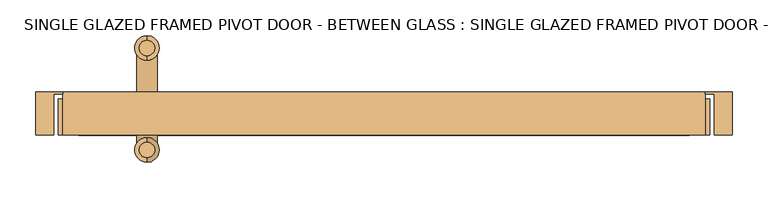
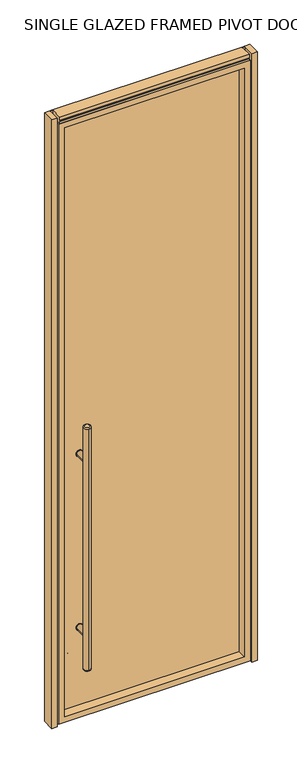
"""IFC4 building model written with IfcOpenShell, lengths in millimetres: door geometry, SINGLE GLAZED FRAMED PIVOT DOOR - BETWEEN GLASS : SINGLE GLAZED FRAMED PIVOT DOOR - BETWEEN GLASS."""

from ifc_helpers import new_model, si_unit, point, frame, frame_2d, origin, origin_with_axes, place, context, project, spatial, polyline, circle_curve, ellipse_curve, trimmed, segment, composite_curve, outline, extrude, faceted_brep, source, transform, mapped, element, save
from ifc_brep_helpers import plane_surface, cylinder_surface, revolved_surface, advanced_brep


def single_glazed_framed_pivot_door_between_glass_single_glazed_d1b92d99(model_context):
    return source(origin(), model_context, "Body", "SolidModel", [
        extrude(outline(composite_curve([segment(trimmed(circle_curve(frame_2d((428.625, -331.7875)), 15.875), [point((428.625, -347.6625))], [point((428.625, -315.9125))], False, "CARTESIAN"), True, "CONTINUOUS"), segment(trimmed(circle_curve(frame_2d((428.625, -331.7875)), 15.875), [point((428.625, -315.9125))], [point((428.625, -347.6625))], False, "CARTESIAN"), True, "CONTINUOUS")], self_intersect=False)), frame((0.0, 6.35, 0.0), z_axis=(0.0, 1.0, 0.0), x_axis=(0.0, 0.0, 1.0)), (0.0, 0.0, 1.0), 3.175),
        extrude(outline(composite_curve([segment(trimmed(circle_curve(frame_2d((1298.575, -331.7875)), 15.875), [point((1298.575, -315.9125))], [point((1298.575, -347.6625))], False, "CARTESIAN"), True, "CONTINUOUS"), segment(trimmed(circle_curve(frame_2d((1298.575, -331.7875)), 15.875), [point((1298.575, -347.6625))], [point((1298.575, -315.9125))], False, "CARTESIAN"), True, "CONTINUOUS")], self_intersect=False)), frame((0.0, 6.35, 0.0), z_axis=(0.0, 1.0, 0.0), x_axis=(0.0, 0.0, 1.0)), (0.0, 0.0, 1.0), 3.175),
        extrude(outline(composite_curve([segment(trimmed(circle_curve(frame_2d((428.625, -331.7875)), 15.875), [point((428.625, -347.6625))], [point((428.625, -315.9125))], False, "CARTESIAN"), True, "CONTINUOUS"), segment(trimmed(circle_curve(frame_2d((428.625, -331.7875)), 15.875), [point((428.625, -315.9125))], [point((428.625, -347.6625))], False, "CARTESIAN"), True, "CONTINUOUS")], self_intersect=False)), frame((0.0, -9.525, 0.0), z_axis=(0.0, 1.0, 0.0), x_axis=(0.0, 0.0, 1.0)), (0.0, 0.0, 1.0), 3.175),
        extrude(outline(composite_curve([segment(trimmed(circle_curve(frame_2d((1298.575, -331.7875)), 15.875), [point((1298.575, -347.6625))], [point((1298.575, -315.9125))], False, "CARTESIAN"), True, "CONTINUOUS"), segment(trimmed(circle_curve(frame_2d((1298.575, -331.7875)), 15.875), [point((1298.575, -315.9125))], [point((1298.575, -347.6625))], False, "CARTESIAN"), True, "CONTINUOUS")], self_intersect=False)), frame((0.0, -9.525, 0.0), z_axis=(0.0, 1.0, 0.0), x_axis=(0.0, 0.0, 1.0)), (0.0, 0.0, 1.0), 3.175),
        extrude(outline(composite_curve([segment(trimmed(circle_curve(frame_2d((428.625, -331.7875)), 14.2875), [point((428.625, -317.5))], [point((428.625, -346.075))], False, "CARTESIAN"), True, "CONTINUOUS"), segment(trimmed(circle_curve(frame_2d((428.625, -331.7875)), 14.2875), [point((428.625, -346.075))], [point((428.625, -317.5))], False, "CARTESIAN"), True, "CONTINUOUS")], self_intersect=False)), frame((0.0, -71.4375, 0.0), z_axis=(0.0, 1.0, 0.0), x_axis=(0.0, 0.0, 1.0)), (0.0, 0.0, 1.0), 65.0875),
        extrude(outline(composite_curve([segment(trimmed(circle_curve(frame_2d((1298.575, -331.7875)), 14.2875), [point((1298.575, -317.5))], [point((1298.575, -346.075))], False, "CARTESIAN"), True, "CONTINUOUS"), segment(trimmed(circle_curve(frame_2d((1298.575, -331.7875)), 14.2875), [point((1298.575, -346.075))], [point((1298.575, -317.5))], False, "CARTESIAN"), True, "CONTINUOUS")], self_intersect=False)), frame((0.0, -71.4375, 0.0), z_axis=(0.0, 1.0, 0.0), x_axis=(0.0, 0.0, 1.0)), (0.0, 0.0, 1.0), 65.0875),
        advanced_brep(
        [(-331.7875, 60.6425, 1473.2), (-331.7875, 82.2325, 1473.2), (-331.7875, 82.2325, 254.0), (-331.7875, 60.6425, 254.0), (-331.7875, 88.5825, 260.35), (-331.7875, 88.5825, 1466.85), (-331.7875, 54.2925, 1466.85), (-331.7875, 54.2925, 260.35)],
        [
            (0, 1, circle_curve(frame((-331.7875, 71.4375, 1473.2), z_axis=(0.0, 0.0, 1.0), x_axis=(0.0, -1.0, 0.0)), 10.795)),
            (1, 0, circle_curve(frame((-331.7875, 71.4375, 1473.2), z_axis=(0.0, 0.0, 1.0), x_axis=(0.0, -1.0, 0.0)), 10.795)),
            (2, 3, circle_curve(frame((-331.7875, 71.4375, 254.0), z_axis=(0.0, 0.0, -1.0), x_axis=(0.0, -1.0, 0.0)), 10.795)),
            (3, 2, circle_curve(frame((-331.7875, 71.4375, 254.0), z_axis=(0.0, 0.0, -1.0), x_axis=(0.0, -1.0, 0.0)), 10.795)),
            (4, 5),
            (5, 6, circle_curve(frame((-331.7875, 71.4375, 1466.85), z_axis=(0.0, 0.0, -1.0), x_axis=(0.0, -1.0, 0.0)), 17.145)),
            (6, 7),
            (7, 4, circle_curve(frame((-331.7875, 71.4375, 260.35), z_axis=(0.0, 0.0, 1.0), x_axis=(0.0, -1.0, 0.0)), 17.145)),
            (6, 5, circle_curve(frame((-331.7875, 71.4375, 1466.85), z_axis=(0.0, 0.0, -1.0), x_axis=(0.0, -1.0, 0.0)), 17.145)),
            (4, 7, circle_curve(frame((-331.7875, 71.4375, 260.35), z_axis=(0.0, 0.0, 1.0), x_axis=(0.0, -1.0, 0.0)), 17.145)),
            (3, 7, circle_curve(frame((-331.7875, 60.6425, 260.35), z_axis=(-1.0, 0.0, 0.0), x_axis=(0.0, -1.0, 0.0)), 6.35)),
            (4, 2, circle_curve(frame((-331.7875, 82.2325, 260.35), z_axis=(-1.0, 0.0, 0.0), x_axis=(0.0, 1.0, 0.0)), 6.35)),
            (6, 0, circle_curve(frame((-331.7875, 60.6425, 1466.85), z_axis=(-1.0, 0.0, 0.0), x_axis=(0.0, -1.0, 0.0)), 6.35)),
            (1, 5, circle_curve(frame((-331.7875, 82.2325, 1466.85), z_axis=(-1.0, 0.0, 0.0), x_axis=(0.0, 1.0, 0.0)), 6.35)),
        ],
        [
            plane_surface(frame((-331.7875, -88.5825, 1473.2), z_axis=(0.0, 0.0, 1.0), x_axis=(-1.0, 0.0, 0.0))),
            plane_surface(frame((-331.7875, -88.5825, 254.0), z_axis=(0.0, 0.0, -1.0), x_axis=(1.0, 0.0, 0.0))),
            cylinder_surface(frame((-331.7875, 71.4375, 254.0), z_axis=(0.0, 0.0, 1.0), x_axis=(0.0, -1.0, 0.0)), 17.145),
            revolved_surface(trimmed(ellipse_curve(frame((-331.7875, 60.6425, 260.35), z_axis=(-1.0, 0.0, 0.0), x_axis=(0.0, -1.0, 0.0)), 6.35, 6.35), [point((-331.7875, 60.6425, 254.0))], [point((-331.7875, 54.2925, 260.35))], True, "CARTESIAN"), (-331.7875, 71.4375, 2082.8), (0.0, 0.0, 1.0)),
            revolved_surface(trimmed(ellipse_curve(frame((-331.7875, 60.6425, 1466.85), z_axis=(-1.0, 0.0, 0.0), x_axis=(0.0, -1.0, 0.0)), 6.35, 6.35), [point((-331.7875, 54.2925, 1466.85))], [point((-331.7875, 60.6425, 1473.2))], True, "CARTESIAN"), (-331.7875, 71.4375, -355.6), (0.0, 0.0, 1.0)),
        ],
        [
            (0, [[1, 2]]),
            (1, [[3, 4]]),
            (2, [[5, 6, 7, 8]]),
            (2, [[-7, 9, -5, 10]]),
            (3, [[-4, 11, -10, 12]]),
            (3, [[-8, -11, -3, -12]]),
            (4, [[-9, 13, -2, 14]]),
            (4, [[-1, -13, -6, -14]]),
        ],
    ),
        advanced_brep(
        [(-331.7875, -82.2325, 1473.2), (-331.7875, -60.6425, 1473.2), (-331.7875, -60.6425, 254.0), (-331.7875, -82.2325, 254.0), (-331.7875, -54.2925, 260.35), (-331.7875, -54.2925, 1466.85), (-331.7875, -88.5825, 1466.85), (-331.7875, -88.5825, 260.35)],
        [
            (0, 1, circle_curve(frame((-331.7875, -71.4375, 1473.2), z_axis=(0.0, 0.0, 1.0), x_axis=(0.0, 1.0, 0.0)), 10.795)),
            (1, 0, circle_curve(frame((-331.7875, -71.4375, 1473.2), z_axis=(0.0, 0.0, 1.0), x_axis=(0.0, 1.0, 0.0)), 10.795)),
            (2, 3, circle_curve(frame((-331.7875, -71.4375, 254.0), z_axis=(0.0, 0.0, -1.0), x_axis=(0.0, 1.0, 0.0)), 10.795)),
            (3, 2, circle_curve(frame((-331.7875, -71.4375, 254.0), z_axis=(0.0, 0.0, -1.0), x_axis=(0.0, 1.0, 0.0)), 10.795)),
            (4, 5),
            (5, 6, circle_curve(frame((-331.7875, -71.4375, 1466.85), z_axis=(0.0, 0.0, -1.0), x_axis=(0.0, -1.0, 0.0)), 17.145)),
            (6, 7),
            (7, 4, circle_curve(frame((-331.7875, -71.4375, 260.35), z_axis=(0.0, 0.0, 1.0), x_axis=(0.0, -1.0, 0.0)), 17.145)),
            (6, 5, circle_curve(frame((-331.7875, -71.4375, 1466.85), z_axis=(0.0, 0.0, -1.0), x_axis=(0.0, -1.0, 0.0)), 17.145)),
            (4, 7, circle_curve(frame((-331.7875, -71.4375, 260.35), z_axis=(0.0, 0.0, 1.0), x_axis=(0.0, -1.0, 0.0)), 17.145)),
            (4, 2, circle_curve(frame((-331.7875, -60.6425, 260.35), z_axis=(-1.0, 0.0, 0.0), x_axis=(0.0, 1.0, 0.0)), 6.35)),
            (3, 7, circle_curve(frame((-331.7875, -82.2325, 260.35), z_axis=(-1.0, 0.0, 0.0), x_axis=(0.0, -1.0, 0.0)), 6.35)),
            (1, 5, circle_curve(frame((-331.7875, -60.6425, 1466.85), z_axis=(-1.0, 0.0, 0.0), x_axis=(0.0, 1.0, 0.0)), 6.35)),
            (6, 0, circle_curve(frame((-331.7875, -82.2325, 1466.85), z_axis=(-1.0, 0.0, 0.0), x_axis=(0.0, -1.0, 0.0)), 6.35)),
        ],
        [
            plane_surface(frame((-331.7875, -88.5825, 1473.2), z_axis=(0.0, 0.0, 1.0), x_axis=(-1.0, 0.0, 0.0))),
            plane_surface(frame((-331.7875, -88.5825, 254.0), z_axis=(0.0, 0.0, -1.0), x_axis=(1.0, 0.0, 0.0))),
            cylinder_surface(frame((-331.7875, -71.4375, 254.0), z_axis=(0.0, 0.0, 1.0), x_axis=(0.0, -1.0, 0.0)), 17.145),
            revolved_surface(trimmed(ellipse_curve(frame((-331.7875, -60.6425, 260.35), z_axis=(-1.0, 0.0, 0.0), x_axis=(0.0, 1.0, 0.0)), 6.35, 6.35), [point((-331.7875, -54.2925, 260.35))], [point((-331.7875, -60.6425, 254.0))], True, "CARTESIAN"), (-331.7875, -71.4375, 2082.8), (0.0, 0.0, -1.0)),
            revolved_surface(trimmed(ellipse_curve(frame((-331.7875, -60.6425, 1466.85), z_axis=(-1.0, 0.0, 0.0), x_axis=(0.0, 1.0, 0.0)), 6.35, 6.35), [point((-331.7875, -60.6425, 1473.2))], [point((-331.7875, -54.2925, 1466.85))], True, "CARTESIAN"), (-331.7875, -71.4375, -355.6), (0.0, 0.0, -1.0)),
        ],
        [
            (0, [[1, 2]]),
            (1, [[3, 4]]),
            (2, [[5, 6, 7, 8]]),
            (2, [[-7, 9, -5, 10]]),
            (3, [[-10, 11, -4, 12]]),
            (3, [[-3, -11, -8, -12]]),
            (4, [[-2, 13, -9, 14]]),
            (4, [[-6, -13, -1, -14]]),
        ],
    ),
        extrude(outline(composite_curve([segment(trimmed(circle_curve(frame_2d((428.625, -331.7875)), 14.2875), [point((428.625, -317.5))], [point((428.625, -346.075))], False, "CARTESIAN"), True, "CONTINUOUS"), segment(trimmed(circle_curve(frame_2d((428.625, -331.7875)), 14.2875), [point((428.625, -346.075))], [point((428.625, -317.5))], False, "CARTESIAN"), True, "CONTINUOUS")], self_intersect=False)), frame((0.0, 6.35, 0.0), z_axis=(0.0, 1.0, 0.0), x_axis=(0.0, 0.0, 1.0)), (0.0, 0.0, 1.0), 65.0875),
        extrude(outline(composite_curve([segment(trimmed(circle_curve(frame_2d((1298.575, -331.7875)), 14.2875), [point((1298.575, -317.5))], [point((1298.575, -346.075))], False, "CARTESIAN"), True, "CONTINUOUS"), segment(trimmed(circle_curve(frame_2d((1298.575, -331.7875)), 14.2875), [point((1298.575, -346.075))], [point((1298.575, -317.5))], False, "CARTESIAN"), True, "CONTINUOUS")], self_intersect=False)), frame((0.0, 6.35, 0.0), z_axis=(0.0, 1.0, 0.0), x_axis=(0.0, 0.0, 1.0)), (0.0, 0.0, 1.0), 65.0875),
        extrude(outline(polyline([(427.0375, 6.35), (427.0375, -6.35), (-427.0375, -6.35), (-427.0375, 6.35), (427.0375, 6.35)])), frame((0.0, 0.0, 38.1), z_axis=(0.0, 0.0, 1.0), x_axis=(1.0, 0.0, 0.0)), (0.0, 0.0, 1.0), 2949.575),
        extrude(outline(polyline([(461.9625, -50.8), (461.9625, 6.35), (449.2625, 6.35), (449.2625, 9.525), (487.3625, 9.525), (487.3625, -50.8), (461.9625, -50.8)])), origin_with_axes(), (0.0, 0.0, 1.0), 3048.0),
        extrude(outline(polyline([(-461.9625, -50.8), (-487.3625, -50.8), (-487.3625, 9.525), (-449.2625, 9.525), (-449.2625, 6.35), (-461.9625, 6.35), (-461.9625, -50.8)])), origin_with_axes(), (0.0, 0.0, 1.0), 3048.0),
        faceted_brep([(427.0375, 9.525, 2987.675), (427.0375, 9.525, 38.1), (427.0375, -50.8, 38.1), (427.0375, -50.8, 2987.675), (-427.0375, 9.525, 38.1), (-427.0375, -50.8, 38.1), (-455.6125, -50.8, 9.525), (455.6125, -50.8, 9.525), (455.6125, -50.8, 3016.25), (-455.6125, -50.8, 3016.25), (-427.0375, -50.8, 2987.675), (-427.0375, 9.525, 2987.675), (442.9125, 9.525, 22.225), (-442.9125, 9.525, 22.225), (-442.9125, 9.525, 3003.55), (442.9125, 9.525, 3003.55), (442.9125, 0.0, 3003.55), (442.9125, 0.0, 22.225), (-442.9125, 0.0, 22.225), (-442.9125, 0.0, 3003.55), (455.6125, 0.0, 9.525), (-455.6125, 0.0, 9.525), (-455.6125, 0.0, 3016.25), (455.6125, 0.0, 3016.25)], [[[0, 1, 2, 3]], [[1, 4, 5, 2]], [[6, 7, 8, 9], [2, 5, 10, 3]], [[4, 11, 10, 5]], [[12, 13, 14, 15], [4, 1, 0, 11]], [[16, 17, 12, 15]], [[17, 18, 13, 12]], [[18, 19, 14, 13]], [[20, 21, 22, 23], [18, 17, 16, 19]], [[8, 7, 20, 23]], [[7, 6, 21, 20]], [[6, 9, 22, 21]], [[11, 0, 3, 10]], [[19, 16, 15, 14]], [[9, 8, 23, 22]]]),
        extrude(outline(polyline([(-50.8, 3003.55), (-50.8, 3025.775), (-47.625, 3025.775), (-47.625, 3032.125), (-50.8, 3032.125), (-50.8, 3048.0), (9.525, 3048.0), (9.525, 3032.125), (6.35, 3032.125), (6.35, 3025.775), (9.525, 3025.775), (9.525, 2989.5601562), (6.35, 2989.5601562), (6.35, 3003.55), (-50.8, 3003.55)])), frame((-449.2625, 0.0, 0.0), z_axis=(1.0, 0.0, 0.0), x_axis=(0.0, 1.0, 0.0)), (0.0, 0.0, 1.0), 898.525),
    ])


if __name__ == "__main__":
    model = new_model("IFC4")
    model_context = context("Model", 3, world=origin())
    ifc_project = project(units=[si_unit("LENGTHUNIT", "METRE", prefix="MILLI")], contexts=[model_context])
    site = spatial("IfcSite", under=ifc_project)
    building = spatial("IfcBuilding", under=site)
    placement = place(None, origin())
    single_glazed_framed_pivot_door_between_glass_single_glazed_shape = single_glazed_framed_pivot_door_between_glass_single_glazed_d1b92d99(model_context)
    element("IfcDoor", 1, ObjectType="SINGLE GLAZED FRAMED PIVOT DOOR - BETWEEN GLASS : SINGLE GLAZED FRAMED PIVOT DOOR - BETWEEN GLASS", at=placement, inside=building, context=model_context, shape_type="MappedRepresentation", body=[
        mapped(single_glazed_framed_pivot_door_between_glass_single_glazed_shape, transform((0.0, 0.0, 0.0), x_axis=(1.0, 0.0, 0.0), y_axis=(0.0, 1.0, 0.0), z_axis=(0.0, 0.0, 1.0))),
    ])
    save(model, "model.ifc")
